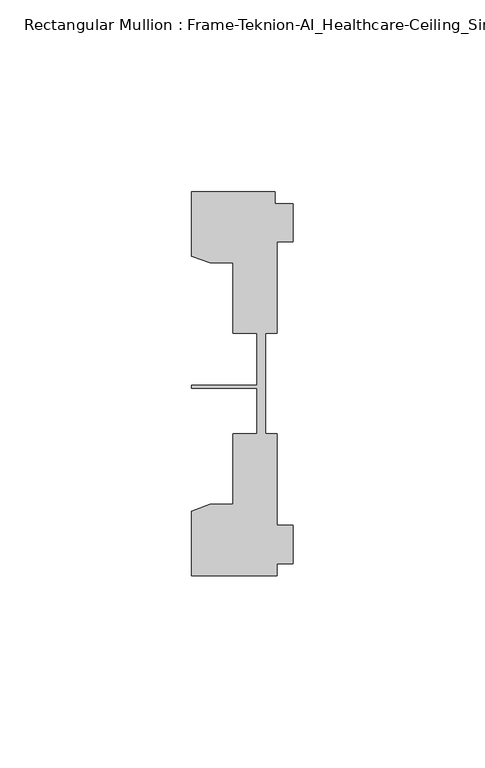
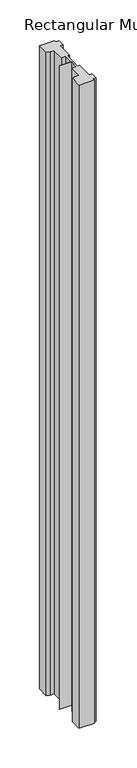
"""IFC4 building model written with IfcOpenShell, lengths in millimetres: member geometry, Rectangular Mullion : Frame-Teknion-AI_Healthcare-Ceiling_Single_Channel."""

import ifcopenshell
import ifcopenshell.guid

model = None  # the IFC model being written
_history = None  # IfcOwnerHistory: only IFC2X3 demands one
_inside = {}  # id of a spatial element -> (the spatial element, [elements in it])
_under = {}  # id of a project, library or spatial element -> (it, [spatial elements below it])
_declared = {}  # id of a project -> (the project, [libraries it declares])
_typed = {}  # id of a type object -> (the type object, [elements of that type])
_made_of = {}  # id of a material, layer set ... -> (it, [elements and type objects made of it])


def new_model(schema):
    """Start an empty IFC model of exactly this schema.

    Asked for "IFC4X3", IfcOpenShell would pick the latest addendum, in which some entities
    have other attributes; the version numbers below select the first issue.
    IFC2X3 requires an IfcOwnerHistory on every rooted entity: one is made here for all.
    """
    global model, _history
    if schema == "IFC4X3":
        model = ifcopenshell.file(schema_version=(4, 3, 0, 0))
    else:
        model = ifcopenshell.file(schema=schema)
    _inside.clear()
    _under.clear()
    _declared.clear()
    _typed.clear()
    _made_of.clear()
    _history = None
    if model.schema == "IFC2X3":
        org = make("IfcOrganization", Name="unknown")
        user = make(
            "IfcPersonAndOrganization",
            ThePerson=make("IfcPerson", FamilyName="unknown"),
            TheOrganization=org,
        )
        app = make(
            "IfcApplication",
            ApplicationDeveloper=org,
            Version="unknown",
            ApplicationFullName="unknown",
            ApplicationIdentifier="unknown",
        )
        _history = make(
            "IfcOwnerHistory",
            OwningUser=user,
            OwningApplication=app,
            ChangeAction="ADDED",
            CreationDate=0,
        )
    return model


def make(cls, **values):
    """One entity of the class cls with the attributes given. An attribute that is None is left unset."""
    return model.create_entity(
        cls, **{name: value for name, value in values.items() if value is not None}
    )


def rooted(cls, **values):
    """An entity with a GlobalId (a new one), such as an element, a storey or a relation."""
    return make(cls, GlobalId=ifcopenshell.guid.new(), OwnerHistory=_history, **values)


def si_unit(unit_type, name, prefix=None):
    """IfcSIUnit, for example si_unit("LENGTHUNIT", "METRE", prefix="MILLI")."""
    return make("IfcSIUnit", UnitType=unit_type, Prefix=prefix, Name=name)


def assignment(units):
    """IfcUnitAssignment: the units of a project."""
    return None if units is None else make("IfcUnitAssignment", Units=units)


def point(xyz):
    """IfcCartesianPoint."""
    return None if xyz is None else make("IfcCartesianPoint", Coordinates=xyz)


def direction(xyz):
    """IfcDirection."""
    return None if xyz is None else make("IfcDirection", DirectionRatios=xyz)


def frame(location, z_axis=None, x_axis=None):
    """IfcAxis2Placement3D, a coordinate frame: its origin and axes. An axis left out is left unset."""
    return make(
        "IfcAxis2Placement3D",
        Location=point(location),
        Axis=direction(z_axis),
        RefDirection=direction(x_axis),
    )


def origin():
    """The frame at (0, 0, 0) with its axes left unset."""
    return frame((0.0, 0.0, 0.0))


def place(relative_to, where):
    """IfcLocalPlacement: puts the frame where relative to a parent placement (None: the world)."""
    return make(
        "IfcLocalPlacement", PlacementRelTo=relative_to, RelativePlacement=where
    )


def context(
    kind, dimensions, precision=None, world=None, true_north=None, identifier=None
):
    """IfcGeometricRepresentationContext, for example the 3D "Model" context."""
    return make(
        "IfcGeometricRepresentationContext",
        ContextIdentifier=identifier,
        ContextType=kind,
        CoordinateSpaceDimension=dimensions,
        Precision=precision,
        WorldCoordinateSystem=world,
        TrueNorth=true_north,
    )


def project(units=None, contexts=None):
    """IfcProject with its units and contexts."""
    return rooted(
        "IfcProject",
        Name="project",
        RepresentationContexts=contexts,
        UnitsInContext=assignment(units),
    )


def spatial(cls, under=None, at=None, **own):
    """A site, building, storey or space (cls), placed at a placement, below another one or the project."""
    s = rooted(cls, ObjectPlacement=at, **own)
    if under is not None:
        _under.setdefault(under.id(), (under, []))[1].append(s)
    return s


def polyline(points):
    """IfcPolyline through the points."""
    return make("IfcPolyline", Points=[point(p) for p in points])


def outline(outer, holes=None, kind="AREA"):
    """IfcArbitraryClosedProfileDef: a profile drawn as a closed curve; with holes, ...WithVoids."""
    if holes is None:
        return make("IfcArbitraryClosedProfileDef", ProfileType=kind, OuterCurve=outer)
    return make(
        "IfcArbitraryProfileDefWithVoids",
        ProfileType=kind,
        OuterCurve=outer,
        InnerCurves=holes,
    )


def extrude(swept, where, along, depth):
    """IfcExtrudedAreaSolid: the profile swept, set in the frame where, extruded along a direction by depth."""
    return make(
        "IfcExtrudedAreaSolid",
        SweptArea=swept,
        Position=where,
        ExtrudedDirection=direction(along),
        Depth=depth,
    )


def shape(context_of_items, identifier, shape_type, items):
    """IfcShapeRepresentation: the items that make up one representation, for example the "Body"."""
    return make(
        "IfcShapeRepresentation",
        ContextOfItems=context_of_items,
        RepresentationIdentifier=identifier,
        RepresentationType=shape_type,
        Items=items,
    )


def source(mapping_origin, context_of_items, identifier, shape_type, items):
    """IfcRepresentationMap: a shape defined once, which mapped items show again and again."""
    return make(
        "IfcRepresentationMap",
        MappingOrigin=mapping_origin,
        MappedRepresentation=shape(context_of_items, identifier, shape_type, items),
    )


def transform(
    local_origin,
    x_axis=None,
    y_axis=None,
    z_axis=None,
    scale=None,
    scale2=None,
    scale3=None,
    uniform=True,
):
    """IfcCartesianTransformationOperator3D, or its non-uniform kind. x_axis, y_axis, z_axis: its Axis1, 2, 3."""
    if uniform:
        return make(
            "IfcCartesianTransformationOperator3D",
            Axis1=direction(x_axis),
            Axis2=direction(y_axis),
            LocalOrigin=point(local_origin),
            Scale=scale,
            Axis3=direction(z_axis),
        )
    return make(
        "IfcCartesianTransformationOperator3DnonUniform",
        Axis1=direction(x_axis),
        Axis2=direction(y_axis),
        LocalOrigin=point(local_origin),
        Scale=scale,
        Axis3=direction(z_axis),
        Scale2=scale2,
        Scale3=scale3,
    )


def mapped(mapping_source, mapping_target):
    """IfcMappedItem: shows the shape of a source again, moved by a transform."""
    return make(
        "IfcMappedItem", MappingSource=mapping_source, MappingTarget=mapping_target
    )


def made_of(thing, what):
    """Note that an element or type object is made of a material, layer set ...; save() writes the relation."""
    if what is not None:
        _made_of.setdefault(what.id(), (what, []))[1].append(thing)
    return thing


def element(
    cls,
    number,
    at=None,
    inside=None,
    cuts=None,
    type_object=None,
    material=None,
    context=None,
    identifier="Body",
    shape_type=None,
    held_by="IfcProductDefinitionShape",
    body=None,
    shapes=None,
    **own,
):
    """One element of the class cls, such as IfcWall. Its Tag is "e" and its number.

    at: its placement. inside: the storey or other place that contains it. cuts: it is an
    opening in that element (IfcRelVoidsElement). A single representation is given by context,
    identifier, shape_type and body (its items); several are given by shapes. held_by: the class
    of the entity that holds the representations. save() writes the other relations.
    """
    e = rooted(cls, Tag="e%d" % number, ObjectPlacement=at, **own)
    if body is not None:
        shapes = [shape(context, identifier, shape_type, body)]
    if shapes is not None:
        e.Representation = make(held_by, Representations=shapes)
    if inside is not None:
        _inside.setdefault(inside.id(), (inside, []))[1].append(e)
    if cuts is not None:
        rooted(
            "IfcRelVoidsElement", RelatingBuildingElement=cuts, RelatedOpeningElement=e
        )
    if type_object is not None:
        _typed.setdefault(type_object.id(), (type_object, []))[1].append(e)
    return made_of(e, material)


def aggregate(whole, parts):
    """IfcRelAggregates: a whole, such as a stair, and the parts it consists of."""
    return rooted("IfcRelAggregates", RelatingObject=whole, RelatedObjects=parts)


def save(model, path):
    """Write the relations noted so far, then the file.

    IfcRelAggregates (storeys below a building ...), IfcRelContainedInSpatialStructure (elements
    in a storey), IfcRelDefinesByType, IfcRelAssociatesMaterial and IfcRelDeclares: one each for
    every whole, place, type object, material and project.
    """
    for whole, parts in _under.values():
        aggregate(whole, parts)
    for where, things in _inside.values():
        rooted(
            "IfcRelContainedInSpatialStructure",
            RelatedElements=things,
            RelatingStructure=where,
        )
    for kind, things in _typed.values():
        rooted("IfcRelDefinesByType", RelatedObjects=things, RelatingType=kind)
    for what, things in _made_of.values():
        rooted("IfcRelAssociatesMaterial", RelatedObjects=things, RelatingMaterial=what)
    for by, libraries in _declared.values():
        rooted("IfcRelDeclares", RelatingContext=by, RelatedDefinitions=libraries)
    model.write(path)


def rectangular_mullion_frame_teknion_ai_healthcare_ceiling_334a6de3(model_context):
    return source(origin(), model_context, "Body", "SweptSolid", [
        extrude(outline(polyline([(-26.4921999, 34.0201677), (-26.4921999, 50.8315128), (-4.7752002, 50.8315128), (-4.7752002, 47.782071), (0.0, 47.782071), (0.0, 37.7820716), (-4.2672007, 37.7820716), (-4.2672007, 13.9110722), (-7.1647766, 13.9110722), (-7.1647766, 0.0814804), (-7.1647766, -12.2509301), (-4.2672007, -12.2509301), (-4.2672007, -36.1219249), (0.0, -36.1219249), (0.0, -46.1219322), (-4.2672007, -46.1219322), (-4.2672007, -49.1699293), (-26.4921999, -49.1699293), (-26.4921999, -32.3600207), (-21.6625199, -30.6279561), (-15.6737764, -30.6279561), (-15.6737764, -12.2509301), (-9.4507761, -12.2509301), (-9.4507761, -0.4036528), (-26.4921999, -0.4036528), (-26.4921999, 0.4036528), (-9.4507761, 0.4036528), (-9.4507761, 13.9110722), (-15.6737764, 13.9110722), (-15.6737764, 32.2880982), (-21.6625199, 32.2880982), (-26.4921999, 34.0201677)])), frame((0.0, 0.0, -990.6), z_axis=(0.0, 0.0, 1.0), x_axis=(1.0, 0.0, 0.0)), (0.0, 0.0, 1.0), 990.6),
    ])


if __name__ == "__main__":
    model = new_model("IFC4")
    model_context = context("Model", 3, world=origin())
    ifc_project = project(units=[si_unit("LENGTHUNIT", "METRE", prefix="MILLI")], contexts=[model_context])
    site = spatial("IfcSite", under=ifc_project)
    building = spatial("IfcBuilding", under=site)
    placement = place(None, origin())
    rectangular_mullion_frame_teknion_ai_healthcare_ceiling_shape = rectangular_mullion_frame_teknion_ai_healthcare_ceiling_334a6de3(model_context)
    element("IfcMember", 1, ObjectType="Rectangular Mullion : Frame-Teknion-AI_Healthcare-Ceiling_Single_Channel", at=placement, inside=building, context=model_context, shape_type="MappedRepresentation", body=[
        mapped(rectangular_mullion_frame_teknion_ai_healthcare_ceiling_shape, transform((0.0, 0.0, 0.0), x_axis=(1.0, 0.0, 0.0), y_axis=(0.0, 1.0, 0.0), z_axis=(0.0, 0.0, 1.0))),
    ])
    save(model, "model.ifc")
